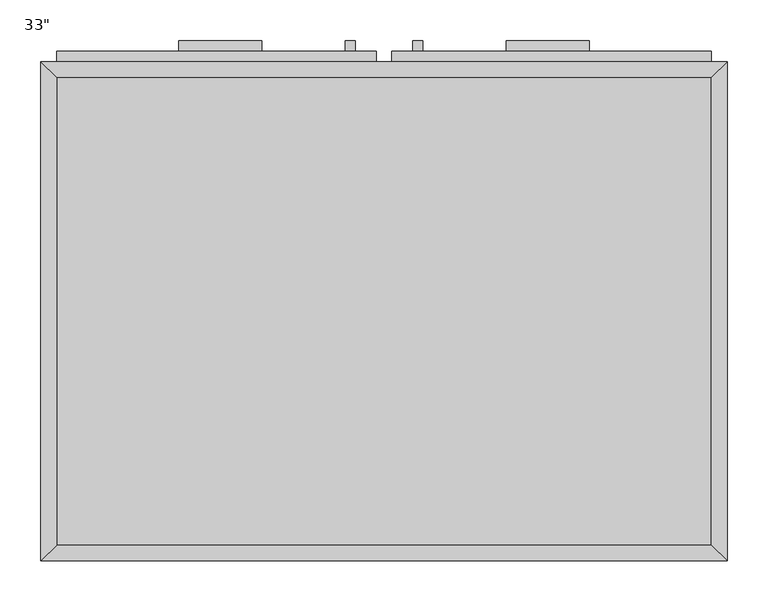
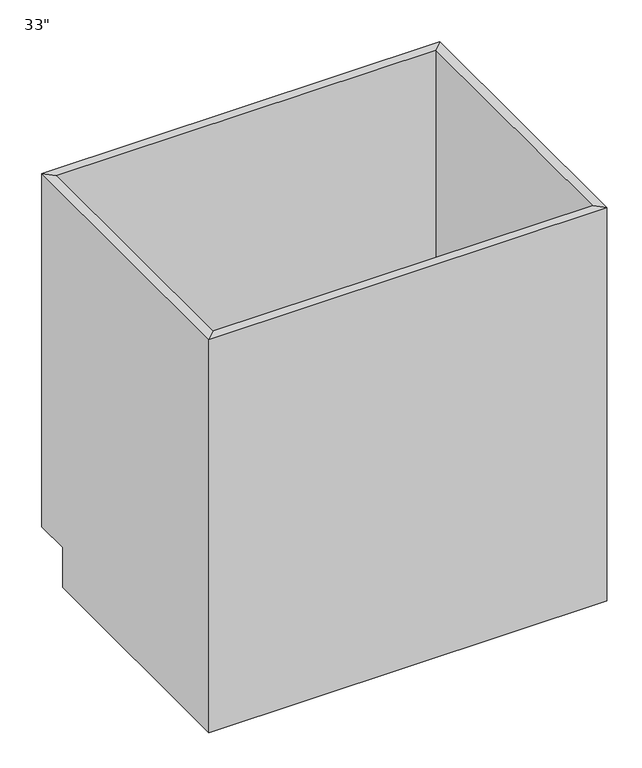
"""IFC4 building model written with IfcOpenShell, lengths in millimetres: furniture geometry."""

import ifcopenshell
import ifcopenshell.guid

model = None  # the IFC model being written
_history = None  # IfcOwnerHistory: only IFC2X3 demands one
_inside = {}  # id of a spatial element -> (the spatial element, [elements in it])
_under = {}  # id of a project, library or spatial element -> (it, [spatial elements below it])
_declared = {}  # id of a project -> (the project, [libraries it declares])
_typed = {}  # id of a type object -> (the type object, [elements of that type])
_made_of = {}  # id of a material, layer set ... -> (it, [elements and type objects made of it])


def new_model(schema):
    """Start an empty IFC model of exactly this schema.

    Asked for "IFC4X3", IfcOpenShell would pick the latest addendum, in which some entities
    have other attributes; the version numbers below select the first issue.
    IFC2X3 requires an IfcOwnerHistory on every rooted entity: one is made here for all.
    """
    global model, _history
    if schema == "IFC4X3":
        model = ifcopenshell.file(schema_version=(4, 3, 0, 0))
    else:
        model = ifcopenshell.file(schema=schema)
    _inside.clear()
    _under.clear()
    _declared.clear()
    _typed.clear()
    _made_of.clear()
    _history = None
    if model.schema == "IFC2X3":
        org = make("IfcOrganization", Name="unknown")
        user = make(
            "IfcPersonAndOrganization",
            ThePerson=make("IfcPerson", FamilyName="unknown"),
            TheOrganization=org,
        )
        app = make(
            "IfcApplication",
            ApplicationDeveloper=org,
            Version="unknown",
            ApplicationFullName="unknown",
            ApplicationIdentifier="unknown",
        )
        _history = make(
            "IfcOwnerHistory",
            OwningUser=user,
            OwningApplication=app,
            ChangeAction="ADDED",
            CreationDate=0,
        )
    return model


def make(cls, **values):
    """One entity of the class cls with the attributes given. An attribute that is None is left unset."""
    return model.create_entity(
        cls, **{name: value for name, value in values.items() if value is not None}
    )


def rooted(cls, **values):
    """An entity with a GlobalId (a new one), such as an element, a storey or a relation."""
    return make(cls, GlobalId=ifcopenshell.guid.new(), OwnerHistory=_history, **values)


def si_unit(unit_type, name, prefix=None):
    """IfcSIUnit, for example si_unit("LENGTHUNIT", "METRE", prefix="MILLI")."""
    return make("IfcSIUnit", UnitType=unit_type, Prefix=prefix, Name=name)


def assignment(units):
    """IfcUnitAssignment: the units of a project."""
    return None if units is None else make("IfcUnitAssignment", Units=units)


def point(xyz):
    """IfcCartesianPoint."""
    return None if xyz is None else make("IfcCartesianPoint", Coordinates=xyz)


def direction(xyz):
    """IfcDirection."""
    return None if xyz is None else make("IfcDirection", DirectionRatios=xyz)


def frame(location, z_axis=None, x_axis=None):
    """IfcAxis2Placement3D, a coordinate frame: its origin and axes. An axis left out is left unset."""
    return make(
        "IfcAxis2Placement3D",
        Location=point(location),
        Axis=direction(z_axis),
        RefDirection=direction(x_axis),
    )


def origin():
    """The frame at (0, 0, 0) with its axes left unset."""
    return frame((0.0, 0.0, 0.0))


def place(relative_to, where):
    """IfcLocalPlacement: puts the frame where relative to a parent placement (None: the world)."""
    return make(
        "IfcLocalPlacement", PlacementRelTo=relative_to, RelativePlacement=where
    )


def context(
    kind, dimensions, precision=None, world=None, true_north=None, identifier=None
):
    """IfcGeometricRepresentationContext, for example the 3D "Model" context."""
    return make(
        "IfcGeometricRepresentationContext",
        ContextIdentifier=identifier,
        ContextType=kind,
        CoordinateSpaceDimension=dimensions,
        Precision=precision,
        WorldCoordinateSystem=world,
        TrueNorth=true_north,
    )


def project(units=None, contexts=None):
    """IfcProject with its units and contexts."""
    return rooted(
        "IfcProject",
        Name="project",
        RepresentationContexts=contexts,
        UnitsInContext=assignment(units),
    )


def spatial(cls, under=None, at=None, **own):
    """A site, building, storey or space (cls), placed at a placement, below another one or the project."""
    s = rooted(cls, ObjectPlacement=at, **own)
    if under is not None:
        _under.setdefault(under.id(), (under, []))[1].append(s)
    return s


def polyline(points):
    """IfcPolyline through the points."""
    return make("IfcPolyline", Points=[point(p) for p in points])


def outline(outer, holes=None, kind="AREA"):
    """IfcArbitraryClosedProfileDef: a profile drawn as a closed curve; with holes, ...WithVoids."""
    if holes is None:
        return make("IfcArbitraryClosedProfileDef", ProfileType=kind, OuterCurve=outer)
    return make(
        "IfcArbitraryProfileDefWithVoids",
        ProfileType=kind,
        OuterCurve=outer,
        InnerCurves=holes,
    )


def extrude(swept, where, along, depth):
    """IfcExtrudedAreaSolid: the profile swept, set in the frame where, extruded along a direction by depth."""
    return make(
        "IfcExtrudedAreaSolid",
        SweptArea=swept,
        Position=where,
        ExtrudedDirection=direction(along),
        Depth=depth,
    )


def faces_of(points, faces, orient=None, outer=None):
    """IfcFace entities. A face is a list of loops; a loop is a list of indices into points, from 0.

    orient and outer hold one flag for each loop. By default every Orientation is true, the
    first loop of a face is its IfcFaceOuterBound and the others are IfcFaceBound.
    """
    made = []
    for i, loops in enumerate(faces):
        bounds = []
        for j, loop in enumerate(loops):
            is_outer = j == 0 if outer is None else outer[i][j]
            bounds.append(
                make(
                    "IfcFaceOuterBound" if is_outer else "IfcFaceBound",
                    Bound=make("IfcPolyLoop", Polygon=[points[k] for k in loop]),
                    Orientation=True if orient is None else orient[i][j],
                )
            )
        made.append(make("IfcFace", Bounds=bounds))
    return made


def faceted_brep(points, faces, orient=None, outer=None, voids=None):
    """IfcFacetedBrep: a solid bounded by flat faces; with voids (closed shells), ...WithVoids."""
    shared = [point(p) for p in points]
    hull = make("IfcClosedShell", CfsFaces=faces_of(shared, faces, orient, outer))
    if voids is None:
        return make("IfcFacetedBrep", Outer=hull)
    return make(
        "IfcFacetedBrepWithVoids",
        Outer=hull,
        Voids=[
            make(cls, CfsFaces=faces_of(shared, fs, o, b)) for cls, fs, o, b in voids
        ],
    )


def shape(context_of_items, identifier, shape_type, items):
    """IfcShapeRepresentation: the items that make up one representation, for example the "Body"."""
    return make(
        "IfcShapeRepresentation",
        ContextOfItems=context_of_items,
        RepresentationIdentifier=identifier,
        RepresentationType=shape_type,
        Items=items,
    )


def source(mapping_origin, context_of_items, identifier, shape_type, items):
    """IfcRepresentationMap: a shape defined once, which mapped items show again and again."""
    return make(
        "IfcRepresentationMap",
        MappingOrigin=mapping_origin,
        MappedRepresentation=shape(context_of_items, identifier, shape_type, items),
    )


def transform(
    local_origin,
    x_axis=None,
    y_axis=None,
    z_axis=None,
    scale=None,
    scale2=None,
    scale3=None,
    uniform=True,
):
    """IfcCartesianTransformationOperator3D, or its non-uniform kind. x_axis, y_axis, z_axis: its Axis1, 2, 3."""
    if uniform:
        return make(
            "IfcCartesianTransformationOperator3D",
            Axis1=direction(x_axis),
            Axis2=direction(y_axis),
            LocalOrigin=point(local_origin),
            Scale=scale,
            Axis3=direction(z_axis),
        )
    return make(
        "IfcCartesianTransformationOperator3DnonUniform",
        Axis1=direction(x_axis),
        Axis2=direction(y_axis),
        LocalOrigin=point(local_origin),
        Scale=scale,
        Axis3=direction(z_axis),
        Scale2=scale2,
        Scale3=scale3,
    )


def mapped(mapping_source, mapping_target):
    """IfcMappedItem: shows the shape of a source again, moved by a transform."""
    return make(
        "IfcMappedItem", MappingSource=mapping_source, MappingTarget=mapping_target
    )


def made_of(thing, what):
    """Note that an element or type object is made of a material, layer set ...; save() writes the relation."""
    if what is not None:
        _made_of.setdefault(what.id(), (what, []))[1].append(thing)
    return thing


def element(
    cls,
    number,
    at=None,
    inside=None,
    cuts=None,
    type_object=None,
    material=None,
    context=None,
    identifier="Body",
    shape_type=None,
    held_by="IfcProductDefinitionShape",
    body=None,
    shapes=None,
    **own,
):
    """One element of the class cls, such as IfcWall. Its Tag is "e" and its number.

    at: its placement. inside: the storey or other place that contains it. cuts: it is an
    opening in that element (IfcRelVoidsElement). A single representation is given by context,
    identifier, shape_type and body (its items); several are given by shapes. held_by: the class
    of the entity that holds the representations. save() writes the other relations.
    """
    e = rooted(cls, Tag="e%d" % number, ObjectPlacement=at, **own)
    if body is not None:
        shapes = [shape(context, identifier, shape_type, body)]
    if shapes is not None:
        e.Representation = make(held_by, Representations=shapes)
    if inside is not None:
        _inside.setdefault(inside.id(), (inside, []))[1].append(e)
    if cuts is not None:
        rooted(
            "IfcRelVoidsElement", RelatingBuildingElement=cuts, RelatedOpeningElement=e
        )
    if type_object is not None:
        _typed.setdefault(type_object.id(), (type_object, []))[1].append(e)
    return made_of(e, material)


def aggregate(whole, parts):
    """IfcRelAggregates: a whole, such as a stair, and the parts it consists of."""
    return rooted("IfcRelAggregates", RelatingObject=whole, RelatedObjects=parts)


def save(model, path):
    """Write the relations noted so far, then the file.

    IfcRelAggregates (storeys below a building ...), IfcRelContainedInSpatialStructure (elements
    in a storey), IfcRelDefinesByType, IfcRelAssociatesMaterial and IfcRelDeclares: one each for
    every whole, place, type object, material and project.
    """
    for whole, parts in _under.values():
        aggregate(whole, parts)
    for where, things in _inside.values():
        rooted(
            "IfcRelContainedInSpatialStructure",
            RelatedElements=things,
            RelatingStructure=where,
        )
    for kind, things in _typed.values():
        rooted("IfcRelDefinesByType", RelatedObjects=things, RelatingType=kind)
    for what, things in _made_of.values():
        rooted("IfcRelAssociatesMaterial", RelatedObjects=things, RelatingMaterial=what)
    for by, libraries in _declared.values():
        rooted("IfcRelDeclares", RelatingContext=by, RelatedDefinitions=libraries)
    model.write(path)


def furniture_b74d3f52(model_context):
    return source(origin(), model_context, "Body", "SolidModel", [
        faceted_brep([(418.7877049, 590.55, 876.3), (-381.3122951, 590.55, 876.3), (-381.3122951, 590.55, 88.9), (418.7877049, 590.55, 88.9), (437.8377049, 609.6, 876.3), (-400.3622951, 609.6, 876.3), (437.8377049, 609.6, 88.9), (-400.3622951, 609.6, 88.9), (-381.3122951, 19.05, 876.3), (-381.3122951, 19.05, 88.9), (-381.3122951, 533.4, 88.9), (-400.3622951, 0.0, 876.3), (-400.3622951, 533.4, 88.9), (-400.3622951, 533.4, 0.0), (-400.3622951, 0.0, 0.0), (418.7877049, 19.05, 876.3), (418.7877049, 19.05, 88.9), (437.8377049, 0.0, 876.3), (437.8377049, 0.0, 0.0), (418.7877049, 533.4, 88.9), (437.8377049, 533.4, 0.0), (437.8377049, 533.4, 88.9)], [[[0, 1, 2, 3]], [[0, 4, 5, 1]], [[4, 6, 7, 5]], [[2, 7, 6, 3]], [[1, 8, 9, 10, 2]], [[5, 11, 8, 1]], [[7, 12, 13, 14, 11, 5]], [[2, 10, 12, 7]], [[8, 15, 16, 9]], [[11, 17, 15, 8]], [[14, 18, 17, 11]], [[3, 19, 16, 15, 0]], [[0, 15, 17, 4]], [[4, 17, 18, 20, 21, 6]], [[6, 21, 19, 3]], [[10, 9, 16, 19]], [[18, 14, 13, 20]], [[13, 12, 10, 19, 21, 20]]]),
        extrude(outline(polyline([(-130.4872951, 635.0), (-130.4872951, 622.3), (-232.0872951, 622.3), (-232.0872951, 635.0), (-130.4872951, 635.0)])), frame((0.0, 0.0, 819.15), z_axis=(0.0, 0.0, 1.0), x_axis=(1.0, 0.0, 0.0)), (0.0, 0.0, 1.0), 12.7),
        extrude(outline(polyline([(269.5627049, 635.0), (269.5627049, 622.3), (167.9627049, 622.3), (167.9627049, 635.0), (269.5627049, 635.0)])), frame((0.0, 0.0, 819.15), z_axis=(0.0, 0.0, 1.0), x_axis=(1.0, 0.0, 0.0)), (0.0, 0.0, 1.0), 12.7),
        extrude(outline(polyline([(-16.1872951, 635.0), (-16.1872951, 622.3), (-28.8872951, 622.3), (-28.8872951, 635.0), (-16.1872951, 635.0)])), frame((0.0, 0.0, 596.9), z_axis=(0.0, 0.0, 1.0), x_axis=(1.0, 0.0, 0.0)), (0.0, 0.0, 1.0), 101.6),
        extrude(outline(polyline([(66.3627049, 635.0), (66.3627049, 622.3), (53.6627049, 622.3), (53.6627049, 635.0), (66.3627049, 635.0)])), frame((0.0, 0.0, 596.9), z_axis=(0.0, 0.0, 1.0), x_axis=(1.0, 0.0, 0.0)), (0.0, 0.0, 1.0), 101.6),
        extrude(outline(polyline([(418.7877049, 19.05), (-381.3122951, 19.05), (-381.3122951, 590.55), (418.7877049, 590.55), (418.7877049, 19.05)])), frame((0.0, 0.0, 88.9), z_axis=(0.0, 0.0, 1.0), x_axis=(1.0, 0.0, 0.0)), (0.0, 0.0, 1.0), 19.05),
        extrude(outline(polyline([(9.2127049, 622.3), (9.2127049, 609.6), (-381.3122951, 609.6), (-381.3122951, 622.3), (9.2127049, 622.3)])), frame((0.0, 0.0, 755.65), z_axis=(0.0, 0.0, 1.0), x_axis=(1.0, 0.0, 0.0)), (0.0, 0.0, 1.0), 101.6),
        extrude(outline(polyline([(418.7877049, 622.3), (418.7877049, 609.6), (28.2627049, 609.6), (28.2627049, 622.3), (418.7877049, 622.3)])), frame((0.0, 0.0, 755.65), z_axis=(0.0, 0.0, 1.0), x_axis=(1.0, 0.0, 0.0)), (0.0, 0.0, 1.0), 101.6),
        extrude(outline(polyline([(9.2127049, 622.3), (9.2127049, 609.6), (-381.3122951, 609.6), (-381.3122951, 622.3), (9.2127049, 622.3)])), frame((0.0, 0.0, 107.95), z_axis=(0.0, 0.0, 1.0), x_axis=(1.0, 0.0, 0.0)), (0.0, 0.0, 1.0), 628.65),
        extrude(outline(polyline([(418.7877049, 622.3), (418.7877049, 609.6), (28.2627049, 609.6), (28.2627049, 622.3), (418.7877049, 622.3)])), frame((0.0, 0.0, 107.95), z_axis=(0.0, 0.0, 1.0), x_axis=(1.0, 0.0, 0.0)), (0.0, 0.0, 1.0), 628.65),
    ])


if __name__ == "__main__":
    model = new_model("IFC4")
    model_context = context("Model", 3, world=origin())
    ifc_project = project(units=[si_unit("LENGTHUNIT", "METRE", prefix="MILLI")], contexts=[model_context])
    site = spatial("IfcSite", under=ifc_project)
    building = spatial("IfcBuilding", under=site)
    placement = place(None, origin())
    furniture_shape = furniture_b74d3f52(model_context)
    element("IfcFurniture", 1, ObjectType="33\"", at=placement, inside=building, context=model_context, shape_type="MappedRepresentation", body=[
        mapped(furniture_shape, transform((0.0, 0.0, 0.0), x_axis=(1.0, 0.0, 0.0), y_axis=(0.0, 1.0, 0.0), z_axis=(0.0, 0.0, 1.0))),
    ])
    save(model, "model.ifc")
